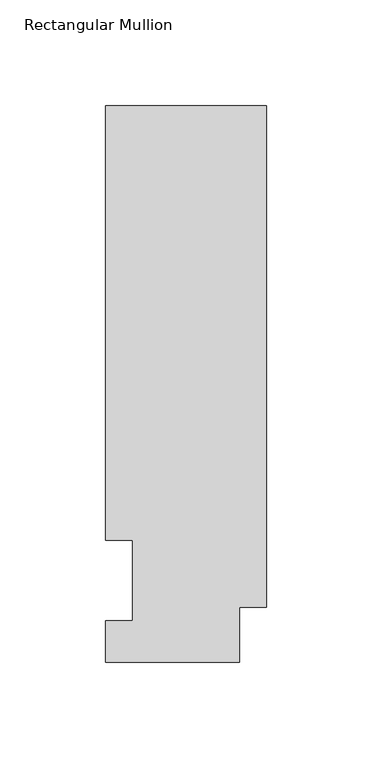
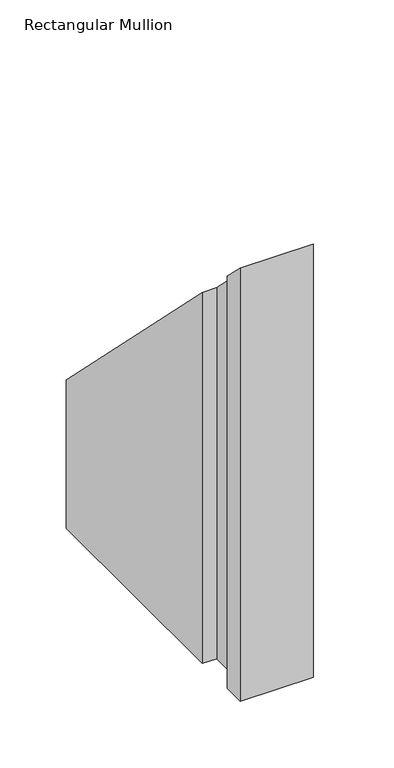
"""IFC4 building model written with IfcOpenShell, lengths in millimetres: member geometry, Rectangular Mullion."""

from ifc_helpers import new_model, si_unit, origin, place, context, project, spatial, faceted_brep, source, transform, mapped, element, save


def rectangular_mullion_1bcaaf46(model_context):
    return source(origin(), model_context, "Body", "Brep", [
        faceted_brep([(0.0, 263.2336938, -400.05), (0.0, 25.8955957, -400.05), (-12.7, 25.8955957, -400.05), (-12.7, 0.0134938, -400.05), (-76.2, 0.0134938, -400.05), (-76.2, 19.5460938, -400.05), (-63.5, 19.5460938, -400.05), (-63.5, 57.6460938, -400.05), (-76.2, 57.6460937, -400.05), (-76.2, 263.2336938, -400.05), (-76.2, 263.2336938, -263.2336937), (0.0, 263.2336938, -263.2336937), (-76.2, 57.6460937, -57.6460937), (-63.5, 57.6460937, -57.6460937), (-63.5, 19.5460938, -19.5460938), (-76.2, 19.5460938, -19.5460938), (-76.2, 0.0134938, -0.0134938), (-12.7, 0.0134938, -0.0134938), (-12.7, 25.8955957, -25.8955957), (0.0, 25.8955957, -25.8955957)], [[[0, 1, 2, 3, 4, 5, 6, 7, 8, 9]], [[10, 11, 0, 9]], [[12, 10, 9, 8]], [[13, 12, 8, 7]], [[14, 13, 7, 6]], [[15, 14, 6, 5]], [[16, 15, 5, 4]], [[17, 16, 4, 3]], [[18, 17, 3, 2]], [[19, 18, 2, 1]], [[11, 19, 1, 0]], [[11, 10, 12, 13, 14, 15, 16, 17, 18, 19]]]),
    ])


if __name__ == "__main__":
    model = new_model("IFC4")
    model_context = context("Model", 3, world=origin())
    ifc_project = project(units=[si_unit("LENGTHUNIT", "METRE", prefix="MILLI")], contexts=[model_context])
    site = spatial("IfcSite", under=ifc_project)
    building = spatial("IfcBuilding", under=site)
    placement = place(None, origin())
    rectangular_mullion_shape = rectangular_mullion_1bcaaf46(model_context)
    element("IfcMember", 1, ObjectType="Rectangular Mullion", at=placement, inside=building, context=model_context, shape_type="MappedRepresentation", body=[
        mapped(rectangular_mullion_shape, transform((0.0, 0.0, 0.0), x_axis=(1.0, 0.0, 0.0), y_axis=(0.0, 1.0, 0.0), z_axis=(0.0, 0.0, 1.0))),
    ])
    save(model, "model.ifc")
